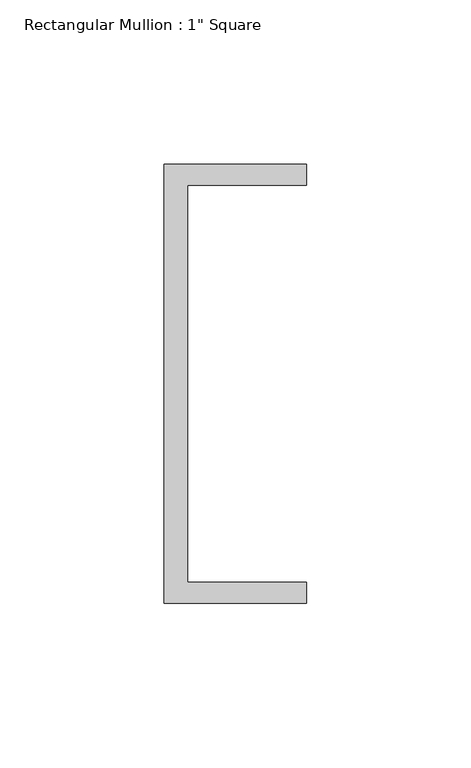
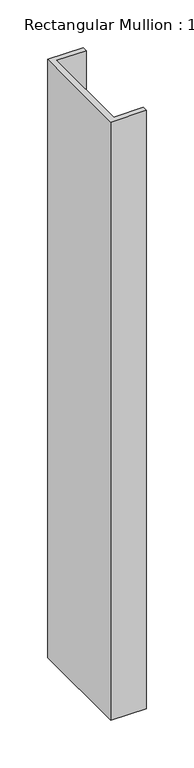
"""IFC4 building model written with IfcOpenShell, lengths in millimetres: member geometry."""

from ifc_helpers import new_model, si_unit, frame, origin, place, context, project, spatial, polyline, outline, extrude, source, transform, mapped, element, save


def member_37be2e98(model_context):
    return source(origin(), model_context, "Body", "SweptSolid", [
        extrude(outline(polyline([(-18.6549463, 135.2608739), (24.5675083, 135.2608739), (24.5675083, 128.9108739), (-11.6110886, 128.9108739), (-11.6110886, 8.2608739), (24.5675083, 8.2608739), (24.5675083, 1.9108739), (-18.6549463, 1.9108739), (-18.6549463, 135.2608739)])), frame((0.0, 0.0, -768.3872543), z_axis=(0.0, 0.0, 1.0), x_axis=(1.0, 0.0, 0.0)), (0.0, 0.0, 1.0), 768.3872543),
    ])


if __name__ == "__main__":
    model = new_model("IFC4")
    model_context = context("Model", 3, world=origin())
    ifc_project = project(units=[si_unit("LENGTHUNIT", "METRE", prefix="MILLI")], contexts=[model_context])
    site = spatial("IfcSite", under=ifc_project)
    building = spatial("IfcBuilding", under=site)
    placement = place(None, origin())
    member_shape = member_37be2e98(model_context)
    element("IfcMember", 1, ObjectType="Rectangular Mullion : 1\" Square", at=placement, inside=building, context=model_context, shape_type="MappedRepresentation", body=[
        mapped(member_shape, transform((0.0, 0.0, 0.0), x_axis=(1.0, 0.0, 0.0), y_axis=(0.0, 1.0, 0.0), z_axis=(0.0, 0.0, 1.0))),
    ])
    save(model, "model.ifc")
